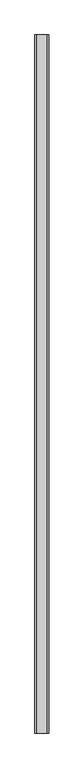
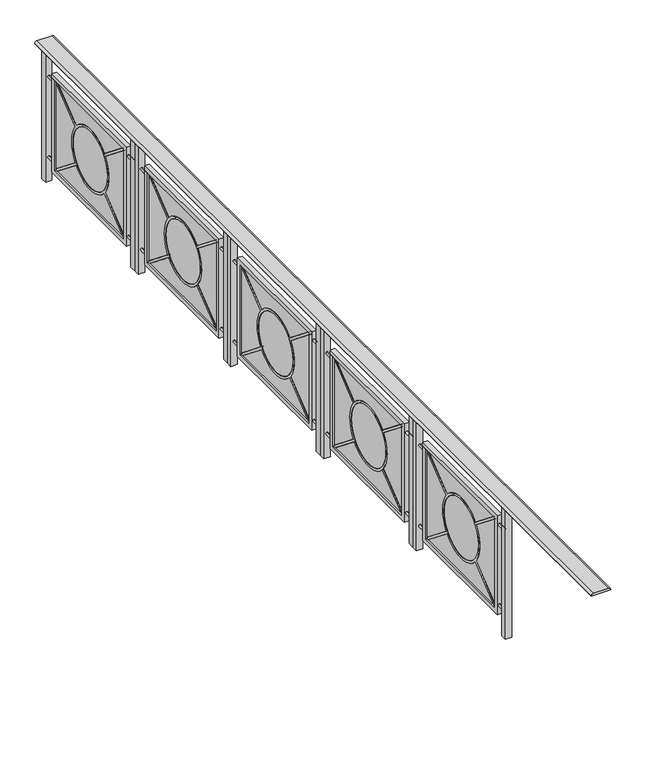
"""IFC4 building model written with IfcOpenShell, lengths in millimetres: railing geometry."""

from ifc_helpers import new_model, si_unit, point, frame, frame_2d, origin, origin_with_axes, place, context, project, spatial, polyline, circle_curve, trimmed, segment, composite_curve, outline, extrude, source, transform, mapped, element, save


def railing_d04277cc(model_context):
    return source(origin(), model_context, "Body", "SweptSolid", [
        extrude(outline(composite_curve([segment(trimmed(circle_curve(frame_2d((903.0, -6638.5024955)), 12.0), [point((915.0, -6638.5024955))], [point((903.0, -6650.5024955))], False, "CARTESIAN"), True, "CONTINUOUS"), segment(polyline([(903.0, -6650.5024955), (899.8828423, -6650.5024955), (899.8828423, -6530.5024955), (903.0, -6530.5024955)]), True, "CONTINUOUS"), segment(trimmed(circle_curve(frame_2d((903.0, -6542.5024955)), 12.0), [point((903.0, -6530.5024955))], [point((915.0, -6542.5024955))], False, "CARTESIAN"), True, "CONTINUOUS"), segment(polyline([(915.0, -6542.5024955), (915.0, -6638.5024955)]), True, "CONTINUOUS")], self_intersect=False)), frame((0.0, -25768.5136765, 0.0), z_axis=(0.0, 1.0, 0.0), x_axis=(0.0, 0.0, 1.0)), (0.0, 0.0, 1.0), 6000.0),
        extrude(outline(composite_curve([segment(polyline([(-20631.4829865, 720.0), (-19915.5443666, 720.0), (-20121.919493, 555.4576695)]), True, "CONTINUOUS"), segment(trimmed(circle_curve(frame_2d((-20273.5136765, 425.0)), 200.0), [point((-20121.919493, 555.4576695))], [point((-20425.10786, 555.4576695))], True, "CARTESIAN"), True, "CONTINUOUS"), segment(polyline([(-20425.10786, 555.4576695), (-20631.4829865, 720.0)]), True, "CONTINUOUS")], self_intersect=False)), frame((-6595.5024955, 0.0, 0.0), z_axis=(1.0, 0.0, 0.0), x_axis=(0.0, 1.0, 0.0)), (0.0, 0.0, 1.0), 5.0),
        extrude(outline(composite_curve([segment(polyline([(-20112.5684085, 543.7291906), (-19903.5136765, 710.4079633), (-19903.5136765, 139.5920367), (-20112.5684085, 306.2708094)]), True, "CONTINUOUS"), segment(trimmed(circle_curve(frame_2d((-20273.5136765, 425.0)), 200.0), [point((-20112.5684085, 306.2708094))], [point((-20073.5136765, 425.0))], True, "CARTESIAN"), True, "CONTINUOUS"), segment(trimmed(circle_curve(frame_2d((-20273.5136765, 425.0)), 200.0), [point((-20073.5136765, 425.0))], [point((-20112.5684085, 543.7291906))], True, "CARTESIAN"), True, "CONTINUOUS")], self_intersect=False)), frame((-6595.5024955, 0.0, 0.0), z_axis=(1.0, 0.0, 0.0), x_axis=(0.0, 1.0, 0.0)), (0.0, 0.0, 1.0), 5.0),
        extrude(outline(composite_curve([segment(polyline([(-20121.919493, 294.5423305), (-19915.5443666, 130.0), (-20631.4829865, 130.0), (-20425.10786, 294.5423305)]), True, "CONTINUOUS"), segment(trimmed(circle_curve(frame_2d((-20273.5136765, 425.0)), 200.0), [point((-20425.10786, 294.5423305))], [point((-20121.919493, 294.5423305))], True, "CARTESIAN"), True, "CONTINUOUS")], self_intersect=False)), frame((-6595.5024955, 0.0, 0.0), z_axis=(1.0, 0.0, 0.0), x_axis=(0.0, 1.0, 0.0)), (0.0, 0.0, 1.0), 5.0),
        extrude(outline(composite_curve([segment(polyline([(-20643.5136765, 139.5920367), (-20643.5136765, 710.4079633), (-20434.4589446, 543.7291906)]), True, "CONTINUOUS"), segment(trimmed(circle_curve(frame_2d((-20273.5136765, 425.0)), 200.0), [point((-20434.4589446, 543.7291906))], [point((-20473.5136765, 425.0))], True, "CARTESIAN"), True, "CONTINUOUS"), segment(trimmed(circle_curve(frame_2d((-20273.5136765, 425.0)), 200.0), [point((-20473.5136765, 425.0))], [point((-20434.4589446, 306.2708094))], True, "CARTESIAN"), True, "CONTINUOUS"), segment(polyline([(-20434.4589446, 306.2708094), (-20643.5136765, 139.5920367)]), True, "CONTINUOUS")], self_intersect=False)), frame((-6595.5024955, 0.0, 0.0), z_axis=(1.0, 0.0, 0.0), x_axis=(0.0, 1.0, 0.0)), (0.0, 0.0, 1.0), 5.0),
        extrude(outline(composite_curve([segment(trimmed(circle_curve(frame_2d((-20273.5136765, 425.0)), 185.0), [point((-20088.5136765, 425.0))], [point((-20458.5136765, 425.0))], False, "CARTESIAN"), True, "CONTINUOUS"), segment(trimmed(circle_curve(frame_2d((-20273.5136765, 425.0)), 185.0), [point((-20458.5136765, 425.0))], [point((-20088.5136765, 425.0))], False, "CARTESIAN"), True, "CONTINUOUS")], self_intersect=False)), frame((-6595.5024955, 0.0, 0.0), z_axis=(1.0, 0.0, 0.0), x_axis=(0.0, 1.0, 0.0)), (0.0, 0.0, 1.0), 5.0),
        extrude(outline(composite_curve([segment(trimmed(circle_curve(frame_2d((160.0, -6590.5024955)), 7.5), [point((152.5, -6590.5024955))], [point((167.5, -6590.5024955))], False, "CARTESIAN"), True, "CONTINUOUS"), segment(trimmed(circle_curve(frame_2d((160.0, -6590.5024955)), 7.5), [point((167.5, -6590.5024955))], [point((152.5, -6590.5024955))], False, "CARTESIAN"), True, "CONTINUOUS")], self_intersect=False)), frame((0.0, -19873.5136765, 0.0), z_axis=(0.0, 1.0, 0.0), x_axis=(0.0, 0.0, 1.0)), (0.0, 0.0, 1.0), 60.0),
        extrude(outline(composite_curve([segment(trimmed(circle_curve(frame_2d((160.0, -6590.5024955)), 7.5), [point((152.5, -6590.5024955))], [point((167.5, -6590.5024955))], False, "CARTESIAN"), True, "CONTINUOUS"), segment(trimmed(circle_curve(frame_2d((160.0, -6590.5024955)), 7.5), [point((167.5, -6590.5024955))], [point((152.5, -6590.5024955))], False, "CARTESIAN"), True, "CONTINUOUS")], self_intersect=False)), frame((0.0, -20733.5136765, 0.0), z_axis=(0.0, 1.0, 0.0), x_axis=(0.0, 0.0, 1.0)), (0.0, 0.0, 1.0), 60.0),
        extrude(outline(composite_curve([segment(trimmed(circle_curve(frame_2d((690.0, -6590.5024955)), 7.5), [point((697.5, -6590.5024955))], [point((682.5, -6590.5024955))], False, "CARTESIAN"), True, "CONTINUOUS"), segment(trimmed(circle_curve(frame_2d((690.0, -6590.5024955)), 7.5), [point((682.5, -6590.5024955))], [point((697.5, -6590.5024955))], False, "CARTESIAN"), True, "CONTINUOUS")], self_intersect=False)), frame((0.0, -19873.5136765, 0.0), z_axis=(0.0, 1.0, 0.0), x_axis=(0.0, 0.0, 1.0)), (0.0, 0.0, 1.0), 60.0),
        extrude(outline(composite_curve([segment(trimmed(circle_curve(frame_2d((690.0, -6590.5024955)), 7.5), [point((697.5, -6590.5024955))], [point((682.5, -6590.5024955))], False, "CARTESIAN"), True, "CONTINUOUS"), segment(trimmed(circle_curve(frame_2d((690.0, -6590.5024955)), 7.5), [point((682.5, -6590.5024955))], [point((697.5, -6590.5024955))], False, "CARTESIAN"), True, "CONTINUOUS")], self_intersect=False)), frame((0.0, -20733.5136765, 0.0), z_axis=(0.0, 1.0, 0.0), x_axis=(0.0, 0.0, 1.0)), (0.0, 0.0, 1.0), 60.0),
        extrude(outline(composite_curve([segment(trimmed(circle_curve(frame_2d((-20273.5136765, 425.0)), 200.0), [point((-20425.10786, 555.4576695))], [point((-20121.919493, 555.4576695))], False, "CARTESIAN"), True, "CONTINUOUS"), segment(polyline([(-20121.919493, 555.4576695), (-19915.5443666, 720.0), (-19903.5136765, 720.0), (-19903.5136765, 710.4079633), (-20112.5684085, 543.7291906)]), True, "CONTINUOUS"), segment(trimmed(circle_curve(frame_2d((-20273.5136765, 425.0)), 200.0), [point((-20112.5684085, 543.7291906))], [point((-20073.5136765, 425.0))], False, "CARTESIAN"), True, "CONTINUOUS"), segment(trimmed(circle_curve(frame_2d((-20273.5136765, 425.0)), 200.0), [point((-20073.5136765, 425.0))], [point((-20112.5684085, 306.2708094))], False, "CARTESIAN"), True, "CONTINUOUS"), segment(polyline([(-20112.5684085, 306.2708094), (-19903.5136765, 139.5920367), (-19903.5136765, 130.0), (-19915.5443666, 130.0), (-20121.919493, 294.5423305)]), True, "CONTINUOUS"), segment(trimmed(circle_curve(frame_2d((-20273.5136765, 425.0)), 200.0), [point((-20121.919493, 294.5423305))], [point((-20425.10786, 294.5423305))], False, "CARTESIAN"), True, "CONTINUOUS"), segment(polyline([(-20425.10786, 294.5423305), (-20631.4829865, 130.0), (-20643.5136765, 130.0), (-20643.5136765, 139.5920367), (-20434.4589446, 306.2708094)]), True, "CONTINUOUS"), segment(trimmed(circle_curve(frame_2d((-20273.5136765, 425.0)), 200.0), [point((-20434.4589446, 306.2708094))], [point((-20473.5136765, 425.0))], False, "CARTESIAN"), True, "CONTINUOUS"), segment(trimmed(circle_curve(frame_2d((-20273.5136765, 425.0)), 200.0), [point((-20473.5136765, 425.0))], [point((-20434.4589446, 543.7291906))], False, "CARTESIAN"), True, "CONTINUOUS"), segment(polyline([(-20434.4589446, 543.7291906), (-20643.5136765, 710.4079633), (-20643.5136765, 720.0), (-20631.4829865, 720.0), (-20425.10786, 555.4576695)]), True, "CONTINUOUS")], self_intersect=False), holes=[composite_curve([segment(trimmed(circle_curve(frame_2d((-20273.5136765, 425.0)), 185.0), [point((-20458.5136765, 425.0))], [point((-20088.5136765, 425.0))], True, "CARTESIAN"), True, "CONTINUOUS"), segment(trimmed(circle_curve(frame_2d((-20273.5136765, 425.0)), 185.0), [point((-20088.5136765, 425.0))], [point((-20458.5136765, 425.0))], True, "CARTESIAN"), True, "CONTINUOUS")], self_intersect=False)]), frame((-6598.0024955, 0.0, 0.0), z_axis=(1.0, 0.0, 0.0), x_axis=(0.0, 1.0, 0.0)), (0.0, 0.0, 1.0), 15.0),
        extrude(outline(polyline([(-19873.5136765, 750.0), (-19873.5136765, 100.0), (-20673.5136765, 100.0), (-20673.5136765, 750.0), (-19873.5136765, 750.0)]), holes=[polyline([(-19903.5136765, 720.0), (-20643.5136765, 720.0), (-20643.5136765, 130.0), (-19903.5136765, 130.0), (-19903.5136765, 720.0)])]), frame((-6605.5024955, 0.0, 0.0), z_axis=(1.0, 0.0, 0.0), x_axis=(0.0, 1.0, 0.0)), (0.0, 0.0, 1.0), 30.0),
        extrude(outline(polyline([(-6570.5024955, -19773.5136765), (-6570.5024955, -19813.5136765), (-6610.5024955, -19813.5136765), (-6610.5024955, -19773.5136765), (-6570.5024955, -19773.5136765)])), origin_with_axes(), (0.0, 0.0, 1.0), 900.0),
        extrude(outline(polyline([(-6570.5024955, -20733.5136765), (-6570.5024955, -20773.5136765), (-6610.5024955, -20773.5136765), (-6610.5024955, -20733.5136765), (-6570.5024955, -20733.5136765)])), origin_with_axes(), (0.0, 0.0, 1.0), 900.0),
        extrude(outline(composite_curve([segment(polyline([(-21631.4829865, 720.0), (-20915.5443666, 720.0), (-21121.919493, 555.4576695)]), True, "CONTINUOUS"), segment(trimmed(circle_curve(frame_2d((-21273.5136765, 425.0)), 200.0), [point((-21121.919493, 555.4576695))], [point((-21425.10786, 555.4576695))], True, "CARTESIAN"), True, "CONTINUOUS"), segment(polyline([(-21425.10786, 555.4576695), (-21631.4829865, 720.0)]), True, "CONTINUOUS")], self_intersect=False)), frame((-6595.5024955, 0.0, 0.0), z_axis=(1.0, 0.0, 0.0), x_axis=(0.0, 1.0, 0.0)), (0.0, 0.0, 1.0), 5.0),
        extrude(outline(composite_curve([segment(polyline([(-21112.5684085, 543.7291906), (-20903.5136765, 710.4079633), (-20903.5136765, 139.5920367), (-21112.5684085, 306.2708094)]), True, "CONTINUOUS"), segment(trimmed(circle_curve(frame_2d((-21273.5136765, 425.0)), 200.0), [point((-21112.5684085, 306.2708094))], [point((-21073.5136765, 425.0))], True, "CARTESIAN"), True, "CONTINUOUS"), segment(trimmed(circle_curve(frame_2d((-21273.5136765, 425.0)), 200.0), [point((-21073.5136765, 425.0))], [point((-21112.5684085, 543.7291906))], True, "CARTESIAN"), True, "CONTINUOUS")], self_intersect=False)), frame((-6595.5024955, 0.0, 0.0), z_axis=(1.0, 0.0, 0.0), x_axis=(0.0, 1.0, 0.0)), (0.0, 0.0, 1.0), 5.0),
        extrude(outline(composite_curve([segment(polyline([(-21121.919493, 294.5423305), (-20915.5443666, 130.0), (-21631.4829865, 130.0), (-21425.10786, 294.5423305)]), True, "CONTINUOUS"), segment(trimmed(circle_curve(frame_2d((-21273.5136765, 425.0)), 200.0), [point((-21425.10786, 294.5423305))], [point((-21121.919493, 294.5423305))], True, "CARTESIAN"), True, "CONTINUOUS")], self_intersect=False)), frame((-6595.5024955, 0.0, 0.0), z_axis=(1.0, 0.0, 0.0), x_axis=(0.0, 1.0, 0.0)), (0.0, 0.0, 1.0), 5.0),
        extrude(outline(composite_curve([segment(polyline([(-21643.5136765, 139.5920367), (-21643.5136765, 710.4079633), (-21434.4589446, 543.7291906)]), True, "CONTINUOUS"), segment(trimmed(circle_curve(frame_2d((-21273.5136765, 425.0)), 200.0), [point((-21434.4589446, 543.7291906))], [point((-21473.5136765, 425.0))], True, "CARTESIAN"), True, "CONTINUOUS"), segment(trimmed(circle_curve(frame_2d((-21273.5136765, 425.0)), 200.0), [point((-21473.5136765, 425.0))], [point((-21434.4589446, 306.2708094))], True, "CARTESIAN"), True, "CONTINUOUS"), segment(polyline([(-21434.4589446, 306.2708094), (-21643.5136765, 139.5920367)]), True, "CONTINUOUS")], self_intersect=False)), frame((-6595.5024955, 0.0, 0.0), z_axis=(1.0, 0.0, 0.0), x_axis=(0.0, 1.0, 0.0)), (0.0, 0.0, 1.0), 5.0),
        extrude(outline(composite_curve([segment(trimmed(circle_curve(frame_2d((-21273.5136765, 425.0)), 185.0), [point((-21088.5136765, 425.0))], [point((-21458.5136765, 425.0))], False, "CARTESIAN"), True, "CONTINUOUS"), segment(trimmed(circle_curve(frame_2d((-21273.5136765, 425.0)), 185.0), [point((-21458.5136765, 425.0))], [point((-21088.5136765, 425.0))], False, "CARTESIAN"), True, "CONTINUOUS")], self_intersect=False)), frame((-6595.5024955, 0.0, 0.0), z_axis=(1.0, 0.0, 0.0), x_axis=(0.0, 1.0, 0.0)), (0.0, 0.0, 1.0), 5.0),
        extrude(outline(composite_curve([segment(trimmed(circle_curve(frame_2d((160.0, -6590.5024955)), 7.5), [point((152.5, -6590.5024955))], [point((167.5, -6590.5024955))], False, "CARTESIAN"), True, "CONTINUOUS"), segment(trimmed(circle_curve(frame_2d((160.0, -6590.5024955)), 7.5), [point((167.5, -6590.5024955))], [point((152.5, -6590.5024955))], False, "CARTESIAN"), True, "CONTINUOUS")], self_intersect=False)), frame((0.0, -20873.5136765, 0.0), z_axis=(0.0, 1.0, 0.0), x_axis=(0.0, 0.0, 1.0)), (0.0, 0.0, 1.0), 60.0),
        extrude(outline(composite_curve([segment(trimmed(circle_curve(frame_2d((160.0, -6590.5024955)), 7.5), [point((152.5, -6590.5024955))], [point((167.5, -6590.5024955))], False, "CARTESIAN"), True, "CONTINUOUS"), segment(trimmed(circle_curve(frame_2d((160.0, -6590.5024955)), 7.5), [point((167.5, -6590.5024955))], [point((152.5, -6590.5024955))], False, "CARTESIAN"), True, "CONTINUOUS")], self_intersect=False)), frame((0.0, -21733.5136765, 0.0), z_axis=(0.0, 1.0, 0.0), x_axis=(0.0, 0.0, 1.0)), (0.0, 0.0, 1.0), 60.0),
        extrude(outline(composite_curve([segment(trimmed(circle_curve(frame_2d((690.0, -6590.5024955)), 7.5), [point((697.5, -6590.5024955))], [point((682.5, -6590.5024955))], False, "CARTESIAN"), True, "CONTINUOUS"), segment(trimmed(circle_curve(frame_2d((690.0, -6590.5024955)), 7.5), [point((682.5, -6590.5024955))], [point((697.5, -6590.5024955))], False, "CARTESIAN"), True, "CONTINUOUS")], self_intersect=False)), frame((0.0, -20873.5136765, 0.0), z_axis=(0.0, 1.0, 0.0), x_axis=(0.0, 0.0, 1.0)), (0.0, 0.0, 1.0), 60.0),
        extrude(outline(composite_curve([segment(trimmed(circle_curve(frame_2d((690.0, -6590.5024955)), 7.5), [point((697.5, -6590.5024955))], [point((682.5, -6590.5024955))], False, "CARTESIAN"), True, "CONTINUOUS"), segment(trimmed(circle_curve(frame_2d((690.0, -6590.5024955)), 7.5), [point((682.5, -6590.5024955))], [point((697.5, -6590.5024955))], False, "CARTESIAN"), True, "CONTINUOUS")], self_intersect=False)), frame((0.0, -21733.5136765, 0.0), z_axis=(0.0, 1.0, 0.0), x_axis=(0.0, 0.0, 1.0)), (0.0, 0.0, 1.0), 60.0),
        extrude(outline(composite_curve([segment(trimmed(circle_curve(frame_2d((-21273.5136765, 425.0)), 200.0), [point((-21425.10786, 555.4576695))], [point((-21121.919493, 555.4576695))], False, "CARTESIAN"), True, "CONTINUOUS"), segment(polyline([(-21121.919493, 555.4576695), (-20915.5443666, 720.0), (-20903.5136765, 720.0), (-20903.5136765, 710.4079633), (-21112.5684085, 543.7291906)]), True, "CONTINUOUS"), segment(trimmed(circle_curve(frame_2d((-21273.5136765, 425.0)), 200.0), [point((-21112.5684085, 543.7291906))], [point((-21073.5136765, 425.0))], False, "CARTESIAN"), True, "CONTINUOUS"), segment(trimmed(circle_curve(frame_2d((-21273.5136765, 425.0)), 200.0), [point((-21073.5136765, 425.0))], [point((-21112.5684085, 306.2708094))], False, "CARTESIAN"), True, "CONTINUOUS"), segment(polyline([(-21112.5684085, 306.2708094), (-20903.5136765, 139.5920367), (-20903.5136765, 130.0), (-20915.5443666, 130.0), (-21121.919493, 294.5423305)]), True, "CONTINUOUS"), segment(trimmed(circle_curve(frame_2d((-21273.5136765, 425.0)), 200.0), [point((-21121.919493, 294.5423305))], [point((-21425.10786, 294.5423305))], False, "CARTESIAN"), True, "CONTINUOUS"), segment(polyline([(-21425.10786, 294.5423305), (-21631.4829865, 130.0), (-21643.5136765, 130.0), (-21643.5136765, 139.5920367), (-21434.4589446, 306.2708094)]), True, "CONTINUOUS"), segment(trimmed(circle_curve(frame_2d((-21273.5136765, 425.0)), 200.0), [point((-21434.4589446, 306.2708094))], [point((-21473.5136765, 425.0))], False, "CARTESIAN"), True, "CONTINUOUS"), segment(trimmed(circle_curve(frame_2d((-21273.5136765, 425.0)), 200.0), [point((-21473.5136765, 425.0))], [point((-21434.4589446, 543.7291906))], False, "CARTESIAN"), True, "CONTINUOUS"), segment(polyline([(-21434.4589446, 543.7291906), (-21643.5136765, 710.4079633), (-21643.5136765, 720.0), (-21631.4829865, 720.0), (-21425.10786, 555.4576695)]), True, "CONTINUOUS")], self_intersect=False), holes=[composite_curve([segment(trimmed(circle_curve(frame_2d((-21273.5136765, 425.0)), 185.0), [point((-21458.5136765, 425.0))], [point((-21088.5136765, 425.0))], True, "CARTESIAN"), True, "CONTINUOUS"), segment(trimmed(circle_curve(frame_2d((-21273.5136765, 425.0)), 185.0), [point((-21088.5136765, 425.0))], [point((-21458.5136765, 425.0))], True, "CARTESIAN"), True, "CONTINUOUS")], self_intersect=False)]), frame((-6598.0024955, 0.0, 0.0), z_axis=(1.0, 0.0, 0.0), x_axis=(0.0, 1.0, 0.0)), (0.0, 0.0, 1.0), 15.0),
        extrude(outline(polyline([(-20873.5136765, 750.0), (-20873.5136765, 100.0), (-21673.5136765, 100.0), (-21673.5136765, 750.0), (-20873.5136765, 750.0)]), holes=[polyline([(-20903.5136765, 720.0), (-21643.5136765, 720.0), (-21643.5136765, 130.0), (-20903.5136765, 130.0), (-20903.5136765, 720.0)])]), frame((-6605.5024955, 0.0, 0.0), z_axis=(1.0, 0.0, 0.0), x_axis=(0.0, 1.0, 0.0)), (0.0, 0.0, 1.0), 30.0),
        extrude(outline(polyline([(-6570.5024955, -20773.5136765), (-6570.5024955, -20813.5136765), (-6610.5024955, -20813.5136765), (-6610.5024955, -20773.5136765), (-6570.5024955, -20773.5136765)])), origin_with_axes(), (0.0, 0.0, 1.0), 900.0),
        extrude(outline(polyline([(-6570.5024955, -21733.5136765), (-6570.5024955, -21773.5136765), (-6610.5024955, -21773.5136765), (-6610.5024955, -21733.5136765), (-6570.5024955, -21733.5136765)])), origin_with_axes(), (0.0, 0.0, 1.0), 900.0),
        extrude(outline(composite_curve([segment(polyline([(-22631.4829865, 720.0), (-21915.5443666, 720.0), (-22121.919493, 555.4576695)]), True, "CONTINUOUS"), segment(trimmed(circle_curve(frame_2d((-22273.5136765, 425.0)), 200.0), [point((-22121.919493, 555.4576695))], [point((-22425.10786, 555.4576695))], True, "CARTESIAN"), True, "CONTINUOUS"), segment(polyline([(-22425.10786, 555.4576695), (-22631.4829865, 720.0)]), True, "CONTINUOUS")], self_intersect=False)), frame((-6595.5024955, 0.0, 0.0), z_axis=(1.0, 0.0, 0.0), x_axis=(0.0, 1.0, 0.0)), (0.0, 0.0, 1.0), 5.0),
        extrude(outline(composite_curve([segment(polyline([(-22112.5684085, 543.7291906), (-21903.5136765, 710.4079633), (-21903.5136765, 139.5920367), (-22112.5684085, 306.2708094)]), True, "CONTINUOUS"), segment(trimmed(circle_curve(frame_2d((-22273.5136765, 425.0)), 200.0), [point((-22112.5684085, 306.2708094))], [point((-22073.5136765, 425.0))], True, "CARTESIAN"), True, "CONTINUOUS"), segment(trimmed(circle_curve(frame_2d((-22273.5136765, 425.0)), 200.0), [point((-22073.5136765, 425.0))], [point((-22112.5684085, 543.7291906))], True, "CARTESIAN"), True, "CONTINUOUS")], self_intersect=False)), frame((-6595.5024955, 0.0, 0.0), z_axis=(1.0, 0.0, 0.0), x_axis=(0.0, 1.0, 0.0)), (0.0, 0.0, 1.0), 5.0),
        extrude(outline(composite_curve([segment(polyline([(-22121.919493, 294.5423305), (-21915.5443666, 130.0), (-22631.4829865, 130.0), (-22425.10786, 294.5423305)]), True, "CONTINUOUS"), segment(trimmed(circle_curve(frame_2d((-22273.5136765, 425.0)), 200.0), [point((-22425.10786, 294.5423305))], [point((-22121.919493, 294.5423305))], True, "CARTESIAN"), True, "CONTINUOUS")], self_intersect=False)), frame((-6595.5024955, 0.0, 0.0), z_axis=(1.0, 0.0, 0.0), x_axis=(0.0, 1.0, 0.0)), (0.0, 0.0, 1.0), 5.0),
        extrude(outline(composite_curve([segment(polyline([(-22643.5136765, 139.5920367), (-22643.5136765, 710.4079633), (-22434.4589446, 543.7291906)]), True, "CONTINUOUS"), segment(trimmed(circle_curve(frame_2d((-22273.5136765, 425.0)), 200.0), [point((-22434.4589446, 543.7291906))], [point((-22473.5136765, 425.0))], True, "CARTESIAN"), True, "CONTINUOUS"), segment(trimmed(circle_curve(frame_2d((-22273.5136765, 425.0)), 200.0), [point((-22473.5136765, 425.0))], [point((-22434.4589446, 306.2708094))], True, "CARTESIAN"), True, "CONTINUOUS"), segment(polyline([(-22434.4589446, 306.2708094), (-22643.5136765, 139.5920367)]), True, "CONTINUOUS")], self_intersect=False)), frame((-6595.5024955, 0.0, 0.0), z_axis=(1.0, 0.0, 0.0), x_axis=(0.0, 1.0, 0.0)), (0.0, 0.0, 1.0), 5.0),
        extrude(outline(composite_curve([segment(trimmed(circle_curve(frame_2d((-22273.5136765, 425.0)), 185.0), [point((-22088.5136765, 425.0))], [point((-22458.5136765, 425.0))], False, "CARTESIAN"), True, "CONTINUOUS"), segment(trimmed(circle_curve(frame_2d((-22273.5136765, 425.0)), 185.0), [point((-22458.5136765, 425.0))], [point((-22088.5136765, 425.0))], False, "CARTESIAN"), True, "CONTINUOUS")], self_intersect=False)), frame((-6595.5024955, 0.0, 0.0), z_axis=(1.0, 0.0, 0.0), x_axis=(0.0, 1.0, 0.0)), (0.0, 0.0, 1.0), 5.0),
        extrude(outline(composite_curve([segment(trimmed(circle_curve(frame_2d((160.0, -6590.5024955)), 7.5), [point((152.5, -6590.5024955))], [point((167.5, -6590.5024955))], False, "CARTESIAN"), True, "CONTINUOUS"), segment(trimmed(circle_curve(frame_2d((160.0, -6590.5024955)), 7.5), [point((167.5, -6590.5024955))], [point((152.5, -6590.5024955))], False, "CARTESIAN"), True, "CONTINUOUS")], self_intersect=False)), frame((0.0, -21873.5136765, 0.0), z_axis=(0.0, 1.0, 0.0), x_axis=(0.0, 0.0, 1.0)), (0.0, 0.0, 1.0), 60.0),
        extrude(outline(composite_curve([segment(trimmed(circle_curve(frame_2d((160.0, -6590.5024955)), 7.5), [point((152.5, -6590.5024955))], [point((167.5, -6590.5024955))], False, "CARTESIAN"), True, "CONTINUOUS"), segment(trimmed(circle_curve(frame_2d((160.0, -6590.5024955)), 7.5), [point((167.5, -6590.5024955))], [point((152.5, -6590.5024955))], False, "CARTESIAN"), True, "CONTINUOUS")], self_intersect=False)), frame((0.0, -22733.5136765, 0.0), z_axis=(0.0, 1.0, 0.0), x_axis=(0.0, 0.0, 1.0)), (0.0, 0.0, 1.0), 60.0),
        extrude(outline(composite_curve([segment(trimmed(circle_curve(frame_2d((690.0, -6590.5024955)), 7.5), [point((697.5, -6590.5024955))], [point((682.5, -6590.5024955))], False, "CARTESIAN"), True, "CONTINUOUS"), segment(trimmed(circle_curve(frame_2d((690.0, -6590.5024955)), 7.5), [point((682.5, -6590.5024955))], [point((697.5, -6590.5024955))], False, "CARTESIAN"), True, "CONTINUOUS")], self_intersect=False)), frame((0.0, -21873.5136765, 0.0), z_axis=(0.0, 1.0, 0.0), x_axis=(0.0, 0.0, 1.0)), (0.0, 0.0, 1.0), 60.0),
        extrude(outline(composite_curve([segment(trimmed(circle_curve(frame_2d((690.0, -6590.5024955)), 7.5), [point((697.5, -6590.5024955))], [point((682.5, -6590.5024955))], False, "CARTESIAN"), True, "CONTINUOUS"), segment(trimmed(circle_curve(frame_2d((690.0, -6590.5024955)), 7.5), [point((682.5, -6590.5024955))], [point((697.5, -6590.5024955))], False, "CARTESIAN"), True, "CONTINUOUS")], self_intersect=False)), frame((0.0, -22733.5136765, 0.0), z_axis=(0.0, 1.0, 0.0), x_axis=(0.0, 0.0, 1.0)), (0.0, 0.0, 1.0), 60.0),
        extrude(outline(composite_curve([segment(trimmed(circle_curve(frame_2d((-22273.5136765, 425.0)), 200.0), [point((-22425.10786, 555.4576695))], [point((-22121.919493, 555.4576695))], False, "CARTESIAN"), True, "CONTINUOUS"), segment(polyline([(-22121.919493, 555.4576695), (-21915.5443666, 720.0), (-21903.5136765, 720.0), (-21903.5136765, 710.4079633), (-22112.5684085, 543.7291906)]), True, "CONTINUOUS"), segment(trimmed(circle_curve(frame_2d((-22273.5136765, 425.0)), 200.0), [point((-22112.5684085, 543.7291906))], [point((-22073.5136765, 425.0))], False, "CARTESIAN"), True, "CONTINUOUS"), segment(trimmed(circle_curve(frame_2d((-22273.5136765, 425.0)), 200.0), [point((-22073.5136765, 425.0))], [point((-22112.5684085, 306.2708094))], False, "CARTESIAN"), True, "CONTINUOUS"), segment(polyline([(-22112.5684085, 306.2708094), (-21903.5136765, 139.5920367), (-21903.5136765, 130.0), (-21915.5443666, 130.0), (-22121.919493, 294.5423305)]), True, "CONTINUOUS"), segment(trimmed(circle_curve(frame_2d((-22273.5136765, 425.0)), 200.0), [point((-22121.919493, 294.5423305))], [point((-22425.10786, 294.5423305))], False, "CARTESIAN"), True, "CONTINUOUS"), segment(polyline([(-22425.10786, 294.5423305), (-22631.4829865, 130.0), (-22643.5136765, 130.0), (-22643.5136765, 139.5920367), (-22434.4589446, 306.2708094)]), True, "CONTINUOUS"), segment(trimmed(circle_curve(frame_2d((-22273.5136765, 425.0)), 200.0), [point((-22434.4589446, 306.2708094))], [point((-22473.5136765, 425.0))], False, "CARTESIAN"), True, "CONTINUOUS"), segment(trimmed(circle_curve(frame_2d((-22273.5136765, 425.0)), 200.0), [point((-22473.5136765, 425.0))], [point((-22434.4589446, 543.7291906))], False, "CARTESIAN"), True, "CONTINUOUS"), segment(polyline([(-22434.4589446, 543.7291906), (-22643.5136765, 710.4079633), (-22643.5136765, 720.0), (-22631.4829865, 720.0), (-22425.10786, 555.4576695)]), True, "CONTINUOUS")], self_intersect=False), holes=[composite_curve([segment(trimmed(circle_curve(frame_2d((-22273.5136765, 425.0)), 185.0), [point((-22458.5136765, 425.0))], [point((-22088.5136765, 425.0))], True, "CARTESIAN"), True, "CONTINUOUS"), segment(trimmed(circle_curve(frame_2d((-22273.5136765, 425.0)), 185.0), [point((-22088.5136765, 425.0))], [point((-22458.5136765, 425.0))], True, "CARTESIAN"), True, "CONTINUOUS")], self_intersect=False)]), frame((-6598.0024955, 0.0, 0.0), z_axis=(1.0, 0.0, 0.0), x_axis=(0.0, 1.0, 0.0)), (0.0, 0.0, 1.0), 15.0),
        extrude(outline(polyline([(-21873.5136765, 750.0), (-21873.5136765, 100.0), (-22673.5136765, 100.0), (-22673.5136765, 750.0), (-21873.5136765, 750.0)]), holes=[polyline([(-21903.5136765, 720.0), (-22643.5136765, 720.0), (-22643.5136765, 130.0), (-21903.5136765, 130.0), (-21903.5136765, 720.0)])]), frame((-6605.5024955, 0.0, 0.0), z_axis=(1.0, 0.0, 0.0), x_axis=(0.0, 1.0, 0.0)), (0.0, 0.0, 1.0), 30.0),
        extrude(outline(polyline([(-6570.5024955, -21773.5136765), (-6570.5024955, -21813.5136765), (-6610.5024955, -21813.5136765), (-6610.5024955, -21773.5136765), (-6570.5024955, -21773.5136765)])), origin_with_axes(), (0.0, 0.0, 1.0), 900.0),
        extrude(outline(polyline([(-6570.5024955, -22733.5136765), (-6570.5024955, -22773.5136765), (-6610.5024955, -22773.5136765), (-6610.5024955, -22733.5136765), (-6570.5024955, -22733.5136765)])), origin_with_axes(), (0.0, 0.0, 1.0), 900.0),
        extrude(outline(composite_curve([segment(polyline([(-23631.4829865, 720.0), (-22915.5443666, 720.0), (-23121.919493, 555.4576695)]), True, "CONTINUOUS"), segment(trimmed(circle_curve(frame_2d((-23273.5136765, 425.0)), 200.0), [point((-23121.919493, 555.4576695))], [point((-23425.10786, 555.4576695))], True, "CARTESIAN"), True, "CONTINUOUS"), segment(polyline([(-23425.10786, 555.4576695), (-23631.4829865, 720.0)]), True, "CONTINUOUS")], self_intersect=False)), frame((-6595.5024955, 0.0, 0.0), z_axis=(1.0, 0.0, 0.0), x_axis=(0.0, 1.0, 0.0)), (0.0, 0.0, 1.0), 5.0),
        extrude(outline(composite_curve([segment(polyline([(-23112.5684085, 543.7291906), (-22903.5136765, 710.4079633), (-22903.5136765, 139.5920367), (-23112.5684085, 306.2708094)]), True, "CONTINUOUS"), segment(trimmed(circle_curve(frame_2d((-23273.5136765, 425.0)), 200.0), [point((-23112.5684085, 306.2708094))], [point((-23073.5136765, 425.0))], True, "CARTESIAN"), True, "CONTINUOUS"), segment(trimmed(circle_curve(frame_2d((-23273.5136765, 425.0)), 200.0), [point((-23073.5136765, 425.0))], [point((-23112.5684085, 543.7291906))], True, "CARTESIAN"), True, "CONTINUOUS")], self_intersect=False)), frame((-6595.5024955, 0.0, 0.0), z_axis=(1.0, 0.0, 0.0), x_axis=(0.0, 1.0, 0.0)), (0.0, 0.0, 1.0), 5.0),
        extrude(outline(composite_curve([segment(polyline([(-23121.919493, 294.5423305), (-22915.5443666, 130.0), (-23631.4829865, 130.0), (-23425.10786, 294.5423305)]), True, "CONTINUOUS"), segment(trimmed(circle_curve(frame_2d((-23273.5136765, 425.0)), 200.0), [point((-23425.10786, 294.5423305))], [point((-23121.919493, 294.5423305))], True, "CARTESIAN"), True, "CONTINUOUS")], self_intersect=False)), frame((-6595.5024955, 0.0, 0.0), z_axis=(1.0, 0.0, 0.0), x_axis=(0.0, 1.0, 0.0)), (0.0, 0.0, 1.0), 5.0),
        extrude(outline(composite_curve([segment(polyline([(-23643.5136765, 139.5920367), (-23643.5136765, 710.4079633), (-23434.4589446, 543.7291906)]), True, "CONTINUOUS"), segment(trimmed(circle_curve(frame_2d((-23273.5136765, 425.0)), 200.0), [point((-23434.4589446, 543.7291906))], [point((-23473.5136765, 425.0))], True, "CARTESIAN"), True, "CONTINUOUS"), segment(trimmed(circle_curve(frame_2d((-23273.5136765, 425.0)), 200.0), [point((-23473.5136765, 425.0))], [point((-23434.4589446, 306.2708094))], True, "CARTESIAN"), True, "CONTINUOUS"), segment(polyline([(-23434.4589446, 306.2708094), (-23643.5136765, 139.5920367)]), True, "CONTINUOUS")], self_intersect=False)), frame((-6595.5024955, 0.0, 0.0), z_axis=(1.0, 0.0, 0.0), x_axis=(0.0, 1.0, 0.0)), (0.0, 0.0, 1.0), 5.0),
        extrude(outline(composite_curve([segment(trimmed(circle_curve(frame_2d((-23273.5136765, 425.0)), 185.0), [point((-23088.5136765, 425.0))], [point((-23458.5136765, 425.0))], False, "CARTESIAN"), True, "CONTINUOUS"), segment(trimmed(circle_curve(frame_2d((-23273.5136765, 425.0)), 185.0), [point((-23458.5136765, 425.0))], [point((-23088.5136765, 425.0))], False, "CARTESIAN"), True, "CONTINUOUS")], self_intersect=False)), frame((-6595.5024955, 0.0, 0.0), z_axis=(1.0, 0.0, 0.0), x_axis=(0.0, 1.0, 0.0)), (0.0, 0.0, 1.0), 5.0),
        extrude(outline(composite_curve([segment(trimmed(circle_curve(frame_2d((160.0, -6590.5024955)), 7.5), [point((152.5, -6590.5024955))], [point((167.5, -6590.5024955))], False, "CARTESIAN"), True, "CONTINUOUS"), segment(trimmed(circle_curve(frame_2d((160.0, -6590.5024955)), 7.5), [point((167.5, -6590.5024955))], [point((152.5, -6590.5024955))], False, "CARTESIAN"), True, "CONTINUOUS")], self_intersect=False)), frame((0.0, -22873.5136765, 0.0), z_axis=(0.0, 1.0, 0.0), x_axis=(0.0, 0.0, 1.0)), (0.0, 0.0, 1.0), 60.0),
        extrude(outline(composite_curve([segment(trimmed(circle_curve(frame_2d((160.0, -6590.5024955)), 7.5), [point((152.5, -6590.5024955))], [point((167.5, -6590.5024955))], False, "CARTESIAN"), True, "CONTINUOUS"), segment(trimmed(circle_curve(frame_2d((160.0, -6590.5024955)), 7.5), [point((167.5, -6590.5024955))], [point((152.5, -6590.5024955))], False, "CARTESIAN"), True, "CONTINUOUS")], self_intersect=False)), frame((0.0, -23733.5136765, 0.0), z_axis=(0.0, 1.0, 0.0), x_axis=(0.0, 0.0, 1.0)), (0.0, 0.0, 1.0), 60.0),
        extrude(outline(composite_curve([segment(trimmed(circle_curve(frame_2d((690.0, -6590.5024955)), 7.5), [point((697.5, -6590.5024955))], [point((682.5, -6590.5024955))], False, "CARTESIAN"), True, "CONTINUOUS"), segment(trimmed(circle_curve(frame_2d((690.0, -6590.5024955)), 7.5), [point((682.5, -6590.5024955))], [point((697.5, -6590.5024955))], False, "CARTESIAN"), True, "CONTINUOUS")], self_intersect=False)), frame((0.0, -22873.5136765, 0.0), z_axis=(0.0, 1.0, 0.0), x_axis=(0.0, 0.0, 1.0)), (0.0, 0.0, 1.0), 60.0),
        extrude(outline(composite_curve([segment(trimmed(circle_curve(frame_2d((690.0, -6590.5024955)), 7.5), [point((697.5, -6590.5024955))], [point((682.5, -6590.5024955))], False, "CARTESIAN"), True, "CONTINUOUS"), segment(trimmed(circle_curve(frame_2d((690.0, -6590.5024955)), 7.5), [point((682.5, -6590.5024955))], [point((697.5, -6590.5024955))], False, "CARTESIAN"), True, "CONTINUOUS")], self_intersect=False)), frame((0.0, -23733.5136765, 0.0), z_axis=(0.0, 1.0, 0.0), x_axis=(0.0, 0.0, 1.0)), (0.0, 0.0, 1.0), 60.0),
        extrude(outline(composite_curve([segment(trimmed(circle_curve(frame_2d((-23273.5136765, 425.0)), 200.0), [point((-23425.10786, 555.4576695))], [point((-23121.919493, 555.4576695))], False, "CARTESIAN"), True, "CONTINUOUS"), segment(polyline([(-23121.919493, 555.4576695), (-22915.5443666, 720.0), (-22903.5136765, 720.0), (-22903.5136765, 710.4079633), (-23112.5684085, 543.7291906)]), True, "CONTINUOUS"), segment(trimmed(circle_curve(frame_2d((-23273.5136765, 425.0)), 200.0), [point((-23112.5684085, 543.7291906))], [point((-23073.5136765, 425.0))], False, "CARTESIAN"), True, "CONTINUOUS"), segment(trimmed(circle_curve(frame_2d((-23273.5136765, 425.0)), 200.0), [point((-23073.5136765, 425.0))], [point((-23112.5684085, 306.2708094))], False, "CARTESIAN"), True, "CONTINUOUS"), segment(polyline([(-23112.5684085, 306.2708094), (-22903.5136765, 139.5920367), (-22903.5136765, 130.0), (-22915.5443666, 130.0), (-23121.919493, 294.5423305)]), True, "CONTINUOUS"), segment(trimmed(circle_curve(frame_2d((-23273.5136765, 425.0)), 200.0), [point((-23121.919493, 294.5423305))], [point((-23425.10786, 294.5423305))], False, "CARTESIAN"), True, "CONTINUOUS"), segment(polyline([(-23425.10786, 294.5423305), (-23631.4829865, 130.0), (-23643.5136765, 130.0), (-23643.5136765, 139.5920367), (-23434.4589446, 306.2708094)]), True, "CONTINUOUS"), segment(trimmed(circle_curve(frame_2d((-23273.5136765, 425.0)), 200.0), [point((-23434.4589446, 306.2708094))], [point((-23473.5136765, 425.0))], False, "CARTESIAN"), True, "CONTINUOUS"), segment(trimmed(circle_curve(frame_2d((-23273.5136765, 425.0)), 200.0), [point((-23473.5136765, 425.0))], [point((-23434.4589446, 543.7291906))], False, "CARTESIAN"), True, "CONTINUOUS"), segment(polyline([(-23434.4589446, 543.7291906), (-23643.5136765, 710.4079633), (-23643.5136765, 720.0), (-23631.4829865, 720.0), (-23425.10786, 555.4576695)]), True, "CONTINUOUS")], self_intersect=False), holes=[composite_curve([segment(trimmed(circle_curve(frame_2d((-23273.5136765, 425.0)), 185.0), [point((-23458.5136765, 425.0))], [point((-23088.5136765, 425.0))], True, "CARTESIAN"), True, "CONTINUOUS"), segment(trimmed(circle_curve(frame_2d((-23273.5136765, 425.0)), 185.0), [point((-23088.5136765, 425.0))], [point((-23458.5136765, 425.0))], True, "CARTESIAN"), True, "CONTINUOUS")], self_intersect=False)]), frame((-6598.0024955, 0.0, 0.0), z_axis=(1.0, 0.0, 0.0), x_axis=(0.0, 1.0, 0.0)), (0.0, 0.0, 1.0), 15.0),
        extrude(outline(polyline([(-22873.5136765, 750.0), (-22873.5136765, 100.0), (-23673.5136765, 100.0), (-23673.5136765, 750.0), (-22873.5136765, 750.0)]), holes=[polyline([(-22903.5136765, 720.0), (-23643.5136765, 720.0), (-23643.5136765, 130.0), (-22903.5136765, 130.0), (-22903.5136765, 720.0)])]), frame((-6605.5024955, 0.0, 0.0), z_axis=(1.0, 0.0, 0.0), x_axis=(0.0, 1.0, 0.0)), (0.0, 0.0, 1.0), 30.0),
        extrude(outline(polyline([(-6570.5024955, -22773.5136765), (-6570.5024955, -22813.5136765), (-6610.5024955, -22813.5136765), (-6610.5024955, -22773.5136765), (-6570.5024955, -22773.5136765)])), origin_with_axes(), (0.0, 0.0, 1.0), 900.0),
        extrude(outline(polyline([(-6570.5024955, -23733.5136765), (-6570.5024955, -23773.5136765), (-6610.5024955, -23773.5136765), (-6610.5024955, -23733.5136765), (-6570.5024955, -23733.5136765)])), origin_with_axes(), (0.0, 0.0, 1.0), 900.0),
        extrude(outline(composite_curve([segment(polyline([(-24631.4829865, 720.0), (-23915.5443666, 720.0), (-24121.919493, 555.4576695)]), True, "CONTINUOUS"), segment(trimmed(circle_curve(frame_2d((-24273.5136765, 425.0)), 200.0), [point((-24121.919493, 555.4576695))], [point((-24425.10786, 555.4576695))], True, "CARTESIAN"), True, "CONTINUOUS"), segment(polyline([(-24425.10786, 555.4576695), (-24631.4829865, 720.0)]), True, "CONTINUOUS")], self_intersect=False)), frame((-6595.5024955, 0.0, 0.0), z_axis=(1.0, 0.0, 0.0), x_axis=(0.0, 1.0, 0.0)), (0.0, 0.0, 1.0), 5.0),
        extrude(outline(composite_curve([segment(polyline([(-24112.5684085, 543.7291906), (-23903.5136765, 710.4079633), (-23903.5136765, 139.5920367), (-24112.5684085, 306.2708094)]), True, "CONTINUOUS"), segment(trimmed(circle_curve(frame_2d((-24273.5136765, 425.0)), 200.0), [point((-24112.5684085, 306.2708094))], [point((-24073.5136765, 425.0))], True, "CARTESIAN"), True, "CONTINUOUS"), segment(trimmed(circle_curve(frame_2d((-24273.5136765, 425.0)), 200.0), [point((-24073.5136765, 425.0))], [point((-24112.5684085, 543.7291906))], True, "CARTESIAN"), True, "CONTINUOUS")], self_intersect=False)), frame((-6595.5024955, 0.0, 0.0), z_axis=(1.0, 0.0, 0.0), x_axis=(0.0, 1.0, 0.0)), (0.0, 0.0, 1.0), 5.0),
        extrude(outline(composite_curve([segment(polyline([(-24121.919493, 294.5423305), (-23915.5443666, 130.0), (-24631.4829865, 130.0), (-24425.10786, 294.5423305)]), True, "CONTINUOUS"), segment(trimmed(circle_curve(frame_2d((-24273.5136765, 425.0)), 200.0), [point((-24425.10786, 294.5423305))], [point((-24121.919493, 294.5423305))], True, "CARTESIAN"), True, "CONTINUOUS")], self_intersect=False)), frame((-6595.5024955, 0.0, 0.0), z_axis=(1.0, 0.0, 0.0), x_axis=(0.0, 1.0, 0.0)), (0.0, 0.0, 1.0), 5.0),
        extrude(outline(composite_curve([segment(polyline([(-24643.5136765, 139.5920367), (-24643.5136765, 710.4079633), (-24434.4589446, 543.7291906)]), True, "CONTINUOUS"), segment(trimmed(circle_curve(frame_2d((-24273.5136765, 425.0)), 200.0), [point((-24434.4589446, 543.7291906))], [point((-24473.5136765, 425.0))], True, "CARTESIAN"), True, "CONTINUOUS"), segment(trimmed(circle_curve(frame_2d((-24273.5136765, 425.0)), 200.0), [point((-24473.5136765, 425.0))], [point((-24434.4589446, 306.2708094))], True, "CARTESIAN"), True, "CONTINUOUS"), segment(polyline([(-24434.4589446, 306.2708094), (-24643.5136765, 139.5920367)]), True, "CONTINUOUS")], self_intersect=False)), frame((-6595.5024955, 0.0, 0.0), z_axis=(1.0, 0.0, 0.0), x_axis=(0.0, 1.0, 0.0)), (0.0, 0.0, 1.0), 5.0),
        extrude(outline(composite_curve([segment(trimmed(circle_curve(frame_2d((-24273.5136765, 425.0)), 185.0), [point((-24088.5136765, 425.0))], [point((-24458.5136765, 425.0))], False, "CARTESIAN"), True, "CONTINUOUS"), segment(trimmed(circle_curve(frame_2d((-24273.5136765, 425.0)), 185.0), [point((-24458.5136765, 425.0))], [point((-24088.5136765, 425.0))], False, "CARTESIAN"), True, "CONTINUOUS")], self_intersect=False)), frame((-6595.5024955, 0.0, 0.0), z_axis=(1.0, 0.0, 0.0), x_axis=(0.0, 1.0, 0.0)), (0.0, 0.0, 1.0), 5.0),
        extrude(outline(composite_curve([segment(trimmed(circle_curve(frame_2d((160.0, -6590.5024955)), 7.5), [point((152.5, -6590.5024955))], [point((167.5, -6590.5024955))], False, "CARTESIAN"), True, "CONTINUOUS"), segment(trimmed(circle_curve(frame_2d((160.0, -6590.5024955)), 7.5), [point((167.5, -6590.5024955))], [point((152.5, -6590.5024955))], False, "CARTESIAN"), True, "CONTINUOUS")], self_intersect=False)), frame((0.0, -23873.5136765, 0.0), z_axis=(0.0, 1.0, 0.0), x_axis=(0.0, 0.0, 1.0)), (0.0, 0.0, 1.0), 60.0),
        extrude(outline(composite_curve([segment(trimmed(circle_curve(frame_2d((160.0, -6590.5024955)), 7.5), [point((152.5, -6590.5024955))], [point((167.5, -6590.5024955))], False, "CARTESIAN"), True, "CONTINUOUS"), segment(trimmed(circle_curve(frame_2d((160.0, -6590.5024955)), 7.5), [point((167.5, -6590.5024955))], [point((152.5, -6590.5024955))], False, "CARTESIAN"), True, "CONTINUOUS")], self_intersect=False)), frame((0.0, -24733.5136765, 0.0), z_axis=(0.0, 1.0, 0.0), x_axis=(0.0, 0.0, 1.0)), (0.0, 0.0, 1.0), 60.0),
        extrude(outline(composite_curve([segment(trimmed(circle_curve(frame_2d((690.0, -6590.5024955)), 7.5), [point((697.5, -6590.5024955))], [point((682.5, -6590.5024955))], False, "CARTESIAN"), True, "CONTINUOUS"), segment(trimmed(circle_curve(frame_2d((690.0, -6590.5024955)), 7.5), [point((682.5, -6590.5024955))], [point((697.5, -6590.5024955))], False, "CARTESIAN"), True, "CONTINUOUS")], self_intersect=False)), frame((0.0, -23873.5136765, 0.0), z_axis=(0.0, 1.0, 0.0), x_axis=(0.0, 0.0, 1.0)), (0.0, 0.0, 1.0), 60.0),
        extrude(outline(composite_curve([segment(trimmed(circle_curve(frame_2d((690.0, -6590.5024955)), 7.5), [point((697.5, -6590.5024955))], [point((682.5, -6590.5024955))], False, "CARTESIAN"), True, "CONTINUOUS"), segment(trimmed(circle_curve(frame_2d((690.0, -6590.5024955)), 7.5), [point((682.5, -6590.5024955))], [point((697.5, -6590.5024955))], False, "CARTESIAN"), True, "CONTINUOUS")], self_intersect=False)), frame((0.0, -24733.5136765, 0.0), z_axis=(0.0, 1.0, 0.0), x_axis=(0.0, 0.0, 1.0)), (0.0, 0.0, 1.0), 60.0),
        extrude(outline(composite_curve([segment(trimmed(circle_curve(frame_2d((-24273.5136765, 425.0)), 200.0), [point((-24425.10786, 555.4576695))], [point((-24121.919493, 555.4576695))], False, "CARTESIAN"), True, "CONTINUOUS"), segment(polyline([(-24121.919493, 555.4576695), (-23915.5443666, 720.0), (-23903.5136765, 720.0), (-23903.5136765, 710.4079633), (-24112.5684085, 543.7291906)]), True, "CONTINUOUS"), segment(trimmed(circle_curve(frame_2d((-24273.5136765, 425.0)), 200.0), [point((-24112.5684085, 543.7291906))], [point((-24073.5136765, 425.0))], False, "CARTESIAN"), True, "CONTINUOUS"), segment(trimmed(circle_curve(frame_2d((-24273.5136765, 425.0)), 200.0), [point((-24073.5136765, 425.0))], [point((-24112.5684085, 306.2708094))], False, "CARTESIAN"), True, "CONTINUOUS"), segment(polyline([(-24112.5684085, 306.2708094), (-23903.5136765, 139.5920367), (-23903.5136765, 130.0), (-23915.5443666, 130.0), (-24121.919493, 294.5423305)]), True, "CONTINUOUS"), segment(trimmed(circle_curve(frame_2d((-24273.5136765, 425.0)), 200.0), [point((-24121.919493, 294.5423305))], [point((-24425.10786, 294.5423305))], False, "CARTESIAN"), True, "CONTINUOUS"), segment(polyline([(-24425.10786, 294.5423305), (-24631.4829865, 130.0), (-24643.5136765, 130.0), (-24643.5136765, 139.5920367), (-24434.4589446, 306.2708094)]), True, "CONTINUOUS"), segment(trimmed(circle_curve(frame_2d((-24273.5136765, 425.0)), 200.0), [point((-24434.4589446, 306.2708094))], [point((-24473.5136765, 425.0))], False, "CARTESIAN"), True, "CONTINUOUS"), segment(trimmed(circle_curve(frame_2d((-24273.5136765, 425.0)), 200.0), [point((-24473.5136765, 425.0))], [point((-24434.4589446, 543.7291906))], False, "CARTESIAN"), True, "CONTINUOUS"), segment(polyline([(-24434.4589446, 543.7291906), (-24643.5136765, 710.4079633), (-24643.5136765, 720.0), (-24631.4829865, 720.0), (-24425.10786, 555.4576695)]), True, "CONTINUOUS")], self_intersect=False), holes=[composite_curve([segment(trimmed(circle_curve(frame_2d((-24273.5136765, 425.0)), 185.0), [point((-24458.5136765, 425.0))], [point((-24088.5136765, 425.0))], True, "CARTESIAN"), True, "CONTINUOUS"), segment(trimmed(circle_curve(frame_2d((-24273.5136765, 425.0)), 185.0), [point((-24088.5136765, 425.0))], [point((-24458.5136765, 425.0))], True, "CARTESIAN"), True, "CONTINUOUS")], self_intersect=False)]), frame((-6598.0024955, 0.0, 0.0), z_axis=(1.0, 0.0, 0.0), x_axis=(0.0, 1.0, 0.0)), (0.0, 0.0, 1.0), 15.0),
        extrude(outline(polyline([(-23873.5136765, 750.0), (-23873.5136765, 100.0), (-24673.5136765, 100.0), (-24673.5136765, 750.0), (-23873.5136765, 750.0)]), holes=[polyline([(-23903.5136765, 720.0), (-24643.5136765, 720.0), (-24643.5136765, 130.0), (-23903.5136765, 130.0), (-23903.5136765, 720.0)])]), frame((-6605.5024955, 0.0, 0.0), z_axis=(1.0, 0.0, 0.0), x_axis=(0.0, 1.0, 0.0)), (0.0, 0.0, 1.0), 30.0),
        extrude(outline(polyline([(-6570.5024955, -23773.5136765), (-6570.5024955, -23813.5136765), (-6610.5024955, -23813.5136765), (-6610.5024955, -23773.5136765), (-6570.5024955, -23773.5136765)])), origin_with_axes(), (0.0, 0.0, 1.0), 900.0),
        extrude(outline(polyline([(-6570.5024955, -24733.5136765), (-6570.5024955, -24773.5136765), (-6610.5024955, -24773.5136765), (-6610.5024955, -24733.5136765), (-6570.5024955, -24733.5136765)])), origin_with_axes(), (0.0, 0.0, 1.0), 900.0),
    ])


if __name__ == "__main__":
    model = new_model("IFC4")
    model_context = context("Model", 3, world=origin())
    ifc_project = project(units=[si_unit("LENGTHUNIT", "METRE", prefix="MILLI")], contexts=[model_context])
    site = spatial("IfcSite", under=ifc_project)
    building = spatial("IfcBuilding", under=site)
    placement = place(None, origin())
    railing_shape = railing_d04277cc(model_context)
    element("IfcRailing", 1, at=placement, inside=building, context=model_context, shape_type="MappedRepresentation", body=[
        mapped(railing_shape, transform((0.0, 0.0, 0.0), x_axis=(1.0, 0.0, 0.0), y_axis=(0.0, 1.0, 0.0), z_axis=(0.0, 0.0, 1.0))),
    ])
    save(model, "model.ifc")
